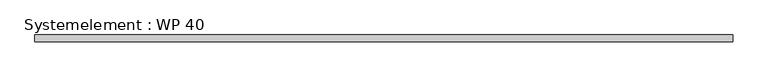
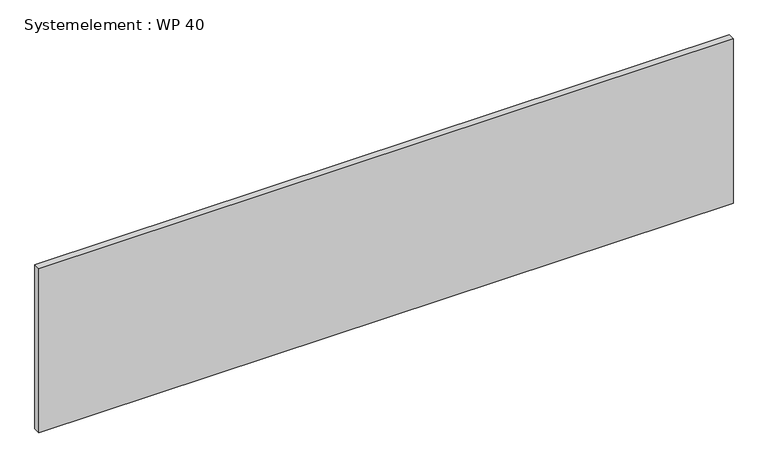
"""IFC4 building model written with IfcOpenShell, lengths in millimetres: plate geometry, Systemelement : WP 40."""

from ifc_helpers import new_model, si_unit, origin, origin_with_axes, place, context, project, spatial, polyline, outline, extrude, source, transform, mapped, element, save


def systemelement_wp_40_a514e8a8(model_context):
    return source(origin(), model_context, "Body", "SweptSolid", [
        extrude(outline(polyline([(2000.0, -40.0), (-2000.0, -40.0), (-2000.0, 0.0), (2000.0, 0.0), (2000.0, -40.0)])), origin_with_axes(), (0.0, 0.0, 1.0), 1000.0),
    ])


if __name__ == "__main__":
    model = new_model("IFC4")
    model_context = context("Model", 3, world=origin())
    ifc_project = project(units=[si_unit("LENGTHUNIT", "METRE", prefix="MILLI")], contexts=[model_context])
    site = spatial("IfcSite", under=ifc_project)
    building = spatial("IfcBuilding", under=site)
    placement = place(None, origin())
    systemelement_wp_40_shape = systemelement_wp_40_a514e8a8(model_context)
    element("IfcPlate", 1, ObjectType="Systemelement : WP 40", at=placement, inside=building, context=model_context, shape_type="MappedRepresentation", body=[
        mapped(systemelement_wp_40_shape, transform((0.0, 0.0, 0.0), x_axis=(1.0, 0.0, 0.0), y_axis=(0.0, 1.0, 0.0), z_axis=(0.0, 0.0, 1.0))),
    ])
    save(model, "model.ifc")
